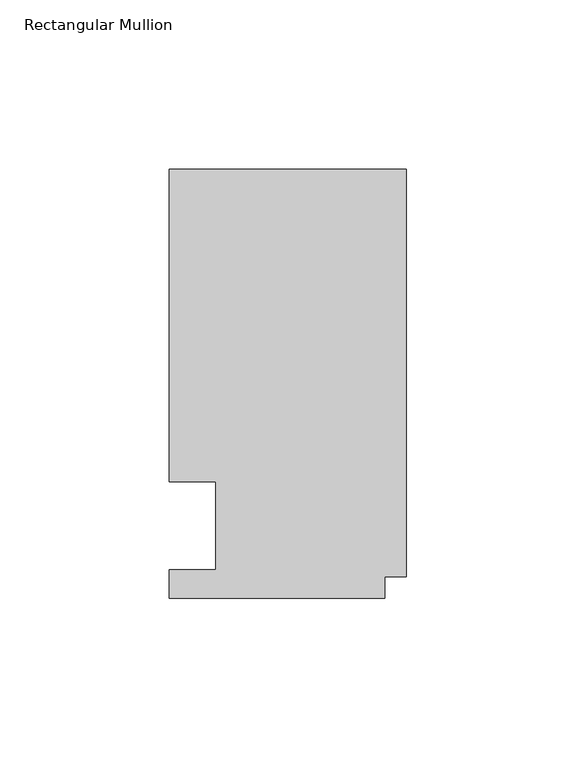
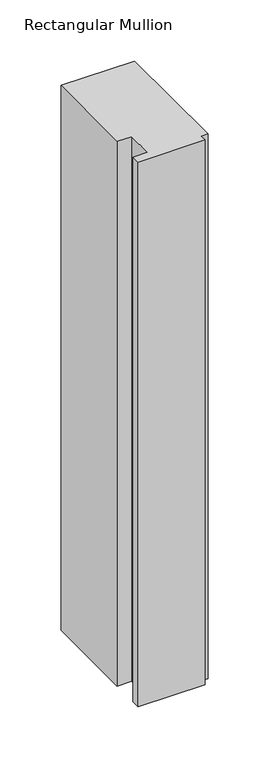
"""IFC4 building model written with IfcOpenShell, lengths in millimetres: member geometry, Rectangular Mullion."""

from ifc_helpers import new_model, si_unit, frame, origin, place, context, project, spatial, polyline, outline, extrude, source, transform, mapped, element, save


def rectangular_mullion_41df62f4(model_context):
    return source(origin(), model_context, "Body", "SweptSolid", [
        extrude(outline(polyline([(-69.85, -0.0111125), (-69.85, 8.3454875), (-56.1848, 8.3454875), (-56.1848, 34.3296875), (-69.85, 34.3296875), (-69.85, 126.4808875), (0.0, 126.4808875), (0.0, 6.3388875), (-6.35, 6.3388875), (-6.35, -0.0111125), (-69.85, -0.0111125)])), frame((0.0, 0.0, -545.0416667), z_axis=(0.0, 0.0, 1.0), x_axis=(1.0, 0.0, 0.0)), (0.0, 0.0, 1.0), 545.0416667),
    ])


if __name__ == "__main__":
    model = new_model("IFC4")
    model_context = context("Model", 3, world=origin())
    ifc_project = project(units=[si_unit("LENGTHUNIT", "METRE", prefix="MILLI")], contexts=[model_context])
    site = spatial("IfcSite", under=ifc_project)
    building = spatial("IfcBuilding", under=site)
    placement = place(None, origin())
    rectangular_mullion_shape = rectangular_mullion_41df62f4(model_context)
    element("IfcMember", 1, ObjectType="Rectangular Mullion", at=placement, inside=building, context=model_context, shape_type="MappedRepresentation", body=[
        mapped(rectangular_mullion_shape, transform((0.0, 0.0, 0.0), x_axis=(1.0, 0.0, 0.0), y_axis=(0.0, 1.0, 0.0), z_axis=(0.0, 0.0, 1.0))),
    ])
    save(model, "model.ifc")
